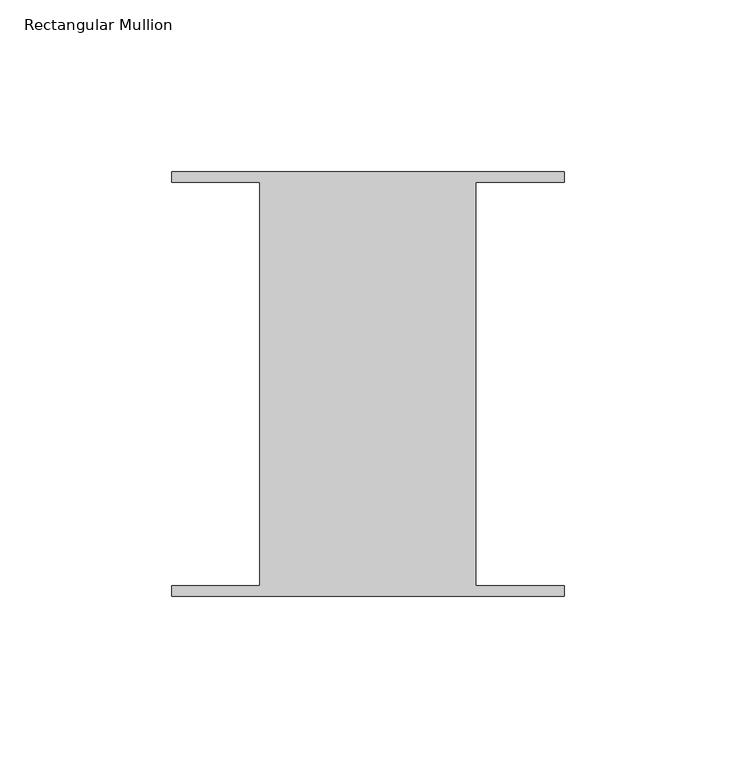
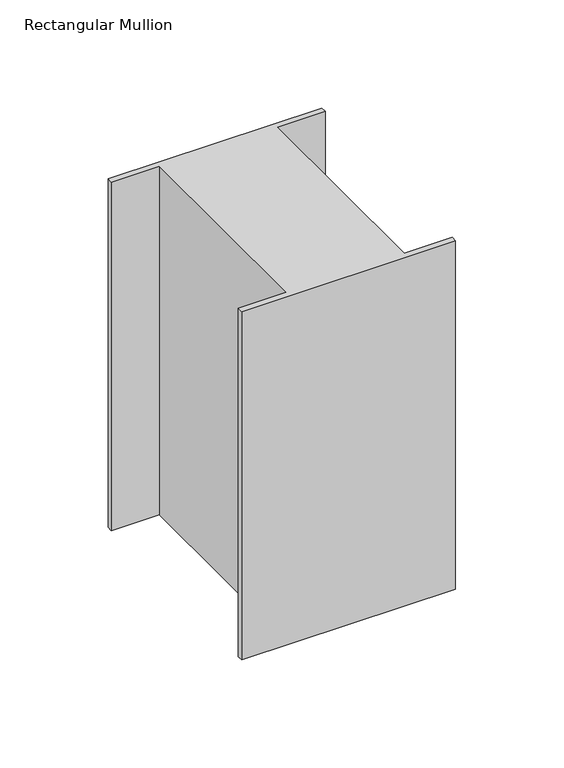
"""IFC4 building model written with IfcOpenShell, lengths in millimetres: member geometry, Rectangular Mullion."""

from ifc_helpers import new_model, si_unit, frame, origin, place, context, project, spatial, polyline, outline, extrude, source, transform, mapped, element, save


def rectangular_mullion_7556d556(model_context):
    return source(origin(), model_context, "Body", "SweptSolid", [
        extrude(outline(polyline([(31.4523438, 58.6995588), (31.4523437, -58.7754412), (57.15, -58.7754413), (57.15, -61.8512225), (-57.15, -61.8512225), (-57.15, -58.7754413), (-31.4523438, -58.7754412), (-31.4523437, 58.6995588), (-57.15, 58.6995587), (-57.15, 61.77534), (57.15, 61.77534), (57.15, 58.6995587), (31.4523438, 58.6995588)])), frame((0.0, 0.0, -196.85), z_axis=(0.0, 0.0, 1.0), x_axis=(1.0, 0.0, 0.0)), (0.0, 0.0, 1.0), 196.85),
    ])


if __name__ == "__main__":
    model = new_model("IFC4")
    model_context = context("Model", 3, world=origin())
    ifc_project = project(units=[si_unit("LENGTHUNIT", "METRE", prefix="MILLI")], contexts=[model_context])
    site = spatial("IfcSite", under=ifc_project)
    building = spatial("IfcBuilding", under=site)
    placement = place(None, origin())
    rectangular_mullion_shape = rectangular_mullion_7556d556(model_context)
    element("IfcMember", 1, ObjectType="Rectangular Mullion", at=placement, inside=building, context=model_context, shape_type="MappedRepresentation", body=[
        mapped(rectangular_mullion_shape, transform((0.0, 0.0, 0.0), x_axis=(1.0, 0.0, 0.0), y_axis=(0.0, 1.0, 0.0), z_axis=(0.0, 0.0, 1.0))),
    ])
    save(model, "model.ifc")
